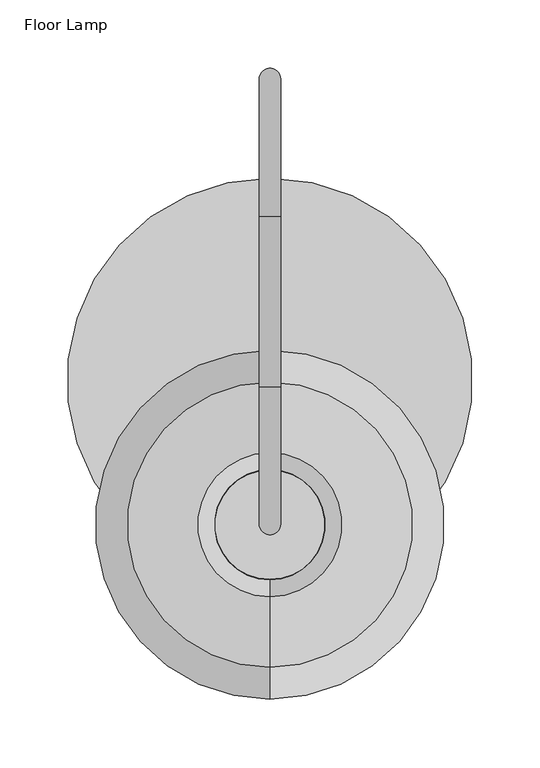
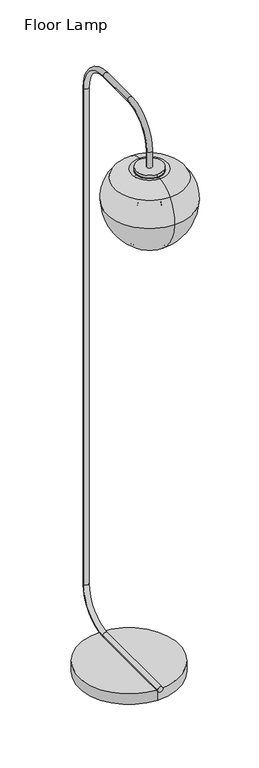
"""IFC4 building model written with IfcOpenShell, lengths in millimetres: furniture geometry, Floor Lamp."""

from ifc_helpers import new_model, si_unit, point, frame, frame_2d, origin, origin_with_axes, place, context, project, spatial, polyline, circle_curve, ellipse_curve, trimmed, segment, composite_curve, outline, extrude, source, transform, mapped, element, save
from ifc_brep_helpers import plane_surface, cylinder_surface, revolved_surface, advanced_brep


def floor_lamp_c4a0048e(model_context):
    return source(origin(), model_context, "Body", "SolidModel", [
        advanced_brep(
        [(0.0, -48.5884787, 1602.1445877), (0.0, -114.6854743, 1602.1445877), (0.0, -98.7501529, 1600.0987823), (0.0, -64.5238, 1600.0987823), (0.0, -44.0190852, 1627.0777935), (0.0, -119.2548678, 1627.0777935), (0.0, -41.3012271, 1631.262928), (0.0, -121.9727259, 1631.262928), (0.0, -29.0959725, 1634.6332907), (0.0, -134.1779805, 1634.6332907), (0.0, 22.4037494, 1608.3928717), (0.0, -185.6777023, 1608.3928717), (0.0, 45.8009911, 1537.0139585), (0.0, -209.0749441, 1537.0139585), (0.0, -15.2995308, 1425.839222), (0.0, -147.9744222, 1425.839222), (0.0, -27.3325095, 1421.4595759), (0.0, -135.9414435, 1421.4595759), (0.0, -33.4662045, 1418.2474979), (0.0, -129.8077485, 1418.2474979), (0.0, -47.5750907, 1418.2474979), (0.0, -115.6988622, 1418.2474979), (0.0, -37.5836001, 1425.1449831), (0.0, -125.6903529, 1425.1449831), (0.0, 16.0395109, 1470.1401157), (0.0, -179.3134639, 1470.1401157), (0.0, 5.1233842, 1583.4419515), (0.0, -168.3973372, 1583.4419515), (0.0, -5.9969435, 1589.7433464), (0.0, -157.2770095, 1589.7433464), (0.0, -64.5238, 1594.165521), (0.0, -98.7501529, 1594.165521), (0.0, -70.8262406, 1594.165521), (0.0, -92.4477123, 1594.165521), (0.0, -70.8262406, 1596.2635513), (0.0, -92.4477123, 1596.2635513), (0.0, -64.5238, 1596.2635513), (0.0, -98.7501529, 1596.2635513)],
        [
            (0, 1, circle_curve(frame((0.0, -81.6369765, 1602.1445877), z_axis=(0.0, 0.0, 1.0), x_axis=(0.0, -1.0, 0.0)), 33.0484978)),
            (1, 2),
            (2, 3, circle_curve(frame((0.0, -81.6369765, 1600.0987823), z_axis=(0.0, 0.0, -1.0), x_axis=(0.0, -1.0, 0.0)), 17.1131764)),
            (3, 0),
            (1, 0, circle_curve(frame((0.0, -81.6369765, 1602.1445877), z_axis=(0.0, 0.0, 1.0), x_axis=(0.0, -1.0, 0.0)), 33.0484978)),
            (3, 2, circle_curve(frame((0.0, -81.6369765, 1600.0987823), z_axis=(0.0, 0.0, -1.0), x_axis=(0.0, -1.0, 0.0)), 17.1131764)),
            (4, 5, circle_curve(frame((0.0, -81.6369765, 1627.0777935), z_axis=(0.0, 0.0, 1.0), x_axis=(0.0, -1.0, 0.0)), 37.6178913)),
            (5, 1),
            (0, 4),
            (5, 4, circle_curve(frame((0.0, -81.6369765, 1627.0777935), z_axis=(0.0, 0.0, 1.0), x_axis=(0.0, -1.0, 0.0)), 37.6178913)),
            (6, 7, circle_curve(frame((0.0, -81.6369765, 1631.262928), z_axis=(0.0, 0.0, 1.0), x_axis=(0.0, -1.0, 0.0)), 40.3357494)),
            (7, 5, circle_curve(frame((0.0, -125.6371821, 1625.9081362), z_axis=(-1.0, 0.0, 0.0), x_axis=(0.0, 1.0, 0.0)), 6.488608)),
            (4, 6, circle_curve(frame((0.0, -37.6367709, 1625.9081362), z_axis=(-1.0, 0.0, 0.0), x_axis=(0.0, -1.0, 0.0)), 6.488608)),
            (7, 6, circle_curve(frame((0.0, -81.6369765, 1631.262928), z_axis=(0.0, 0.0, 1.0), x_axis=(0.0, -1.0, 0.0)), 40.3357494)),
            (8, 9, circle_curve(frame((0.0, -81.6369765, 1634.6332907), z_axis=(0.0, 0.0, 1.0), x_axis=(0.0, -1.0, 0.0)), 52.541004)),
            (9, 7, circle_curve(frame((0.0, -132.9839101, 1615.1725191), z_axis=(-1.0, 0.0, 0.0), x_axis=(0.0, 1.0, 0.0)), 19.49737)),
            (6, 8, circle_curve(frame((0.0, -30.2900429, 1615.1725191), z_axis=(-1.0, 0.0, 0.0), x_axis=(0.0, -1.0, 0.0)), 19.49737)),
            (9, 8, circle_curve(frame((0.0, -81.6369765, 1634.6332907), z_axis=(0.0, 0.0, 1.0), x_axis=(0.0, -1.0, 0.0)), 52.541004)),
            (10, 11, circle_curve(frame((0.0, -81.6369765, 1608.3928717), z_axis=(0.0, 0.0, 1.0), x_axis=(0.0, -1.0, 0.0)), 104.0407259)),
            (11, 9, circle_curve(frame((0.0, -129.7373718, 1562.2609483), z_axis=(-1.0, 0.0, 0.0), x_axis=(0.0, 1.0, 0.0)), 72.5084474)),
            (8, 10, circle_curve(frame((0.0, -33.5365812, 1562.2609483), z_axis=(-1.0, 0.0, 0.0), x_axis=(0.0, -1.0, 0.0)), 72.5084474)),
            (11, 10, circle_curve(frame((0.0, -81.6369765, 1608.3928717), z_axis=(0.0, 0.0, 1.0), x_axis=(0.0, -1.0, 0.0)), 104.0407259)),
            (12, 13, circle_curve(frame((0.0, -81.6369765, 1537.0139585), z_axis=(0.0, 0.0, 1.0), x_axis=(0.0, -1.0, 0.0)), 127.4379676)),
            (13, 11, circle_curve(frame((0.0, -106.1320697, 1542.794528), z_axis=(-1.0, 0.0, 0.0), x_axis=(0.0, 1.0, 0.0)), 103.1050453)),
            (10, 12, circle_curve(frame((0.0, -57.1418833, 1542.794528), z_axis=(-1.0, 0.0, 0.0), x_axis=(0.0, -1.0, 0.0)), 103.1050453)),
            (13, 12, circle_curve(frame((0.0, -81.6369765, 1537.0139585), z_axis=(0.0, 0.0, 1.0), x_axis=(0.0, -1.0, 0.0)), 127.4379676)),
            (14, 15, circle_curve(frame((0.0, -81.6369765, 1425.839222), z_axis=(0.0, 0.0, 1.0), x_axis=(0.0, -1.0, 0.0)), 66.3374457)),
            (15, 13, circle_curve(frame((0.0, -62.3945903, 1545.2505264), z_axis=(-1.0, 0.0, 0.0), x_axis=(0.0, 1.0, 0.0)), 146.9114266)),
            (12, 14, circle_curve(frame((0.0, -100.8793627, 1545.2505264), z_axis=(-1.0, 0.0, 0.0), x_axis=(0.0, -1.0, 0.0)), 146.9114266)),
            (15, 14, circle_curve(frame((0.0, -81.6369765, 1425.839222), z_axis=(0.0, 0.0, 1.0), x_axis=(0.0, -1.0, 0.0)), 66.3374457)),
            (16, 17, circle_curve(frame((0.0, -81.6369765, 1421.4595759), z_axis=(0.0, 0.0, 1.0), x_axis=(0.0, -1.0, 0.0)), 54.304467)),
            (17, 15, circle_curve(frame((0.0, -134.1298801, 1445.1567971), z_axis=(-1.0, 0.0, 0.0), x_axis=(0.0, 1.0, 0.0)), 23.7663639)),
            (14, 16, circle_curve(frame((0.0, -29.1440729, 1445.1567971), z_axis=(-1.0, 0.0, 0.0), x_axis=(0.0, -1.0, 0.0)), 23.7663639)),
            (17, 16, circle_curve(frame((0.0, -81.6369765, 1421.4595759), z_axis=(0.0, 0.0, 1.0), x_axis=(0.0, -1.0, 0.0)), 54.304467)),
            (18, 19, circle_curve(frame((0.0, -81.6369765, 1418.2474979), z_axis=(0.0, 0.0, 1.0), x_axis=(0.0, -1.0, 0.0)), 48.170772)),
            (19, 17, circle_curve(frame((0.0, -136.6094285, 1412.7216045), z_axis=(1.0, 0.0, 0.0), x_axis=(0.0, 1.0, 0.0)), 8.7634667)),
            (16, 18, circle_curve(frame((0.0, -26.6645245, 1412.7216045), z_axis=(1.0, 0.0, 0.0), x_axis=(0.0, -1.0, 0.0)), 8.7634667)),
            (19, 18, circle_curve(frame((0.0, -81.6369765, 1418.2474979), z_axis=(0.0, 0.0, 1.0), x_axis=(0.0, -1.0, 0.0)), 48.170772)),
            (20, 21, circle_curve(frame((0.0, -81.6369765, 1418.2474979), z_axis=(0.0, 0.0, 1.0), x_axis=(0.0, -1.0, 0.0)), 34.0618857)),
            (21, 19),
            (18, 20),
            (21, 20, circle_curve(frame((0.0, -81.6369765, 1418.2474979), z_axis=(0.0, 0.0, 1.0), x_axis=(0.0, -1.0, 0.0)), 34.0618857)),
            (22, 23, circle_curve(frame((0.0, -81.6369765, 1425.1449831), z_axis=(0.0, 0.0, 1.0), x_axis=(0.0, -1.0, 0.0)), 44.0533764)),
            (23, 21, circle_curve(frame((0.0, -129.9775284, 1408.2492791), z_axis=(-1.0, 0.0, 0.0), x_axis=(0.0, 1.0, 0.0)), 17.4311412)),
            (20, 22, circle_curve(frame((0.0, -33.2964246, 1408.2492791), z_axis=(-1.0, 0.0, 0.0), x_axis=(0.0, -1.0, 0.0)), 17.4311412)),
            (23, 22, circle_curve(frame((0.0, -81.6369765, 1425.1449831), z_axis=(0.0, 0.0, 1.0), x_axis=(0.0, -1.0, 0.0)), 44.0533764)),
            (24, 25, circle_curve(frame((0.0, -81.6369765, 1470.1401157), z_axis=(0.0, 0.0, 1.0), x_axis=(0.0, -1.0, 0.0)), 97.6764874)),
            (25, 23, circle_curve(frame((0.0, -105.8847121, 1503.1987606), z_axis=(1.0, 0.0, 0.0), x_axis=(0.0, 1.0, 0.0)), 80.5273593)),
            (22, 24, circle_curve(frame((0.0, -57.3892409, 1503.1987606), z_axis=(1.0, 0.0, 0.0), x_axis=(0.0, -1.0, 0.0)), 80.5273593)),
            (25, 24, circle_curve(frame((0.0, -81.6369765, 1470.1401157), z_axis=(0.0, 0.0, 1.0), x_axis=(0.0, -1.0, 0.0)), 97.6764874)),
            (26, 27, circle_curve(frame((0.0, -81.6369765, 1583.4419515), z_axis=(0.0, 0.0, 1.0), x_axis=(0.0, -1.0, 0.0)), 86.7603607)),
            (27, 25, circle_curve(frame((0.0, -74.7012781, 1517.2379761), z_axis=(1.0, 0.0, 0.0), x_axis=(0.0, 1.0, 0.0)), 114.725402)),
            (24, 26, circle_curve(frame((0.0, -88.5726749, 1517.2379761), z_axis=(1.0, 0.0, 0.0), x_axis=(0.0, -1.0, 0.0)), 114.725402)),
            (27, 26, circle_curve(frame((0.0, -81.6369765, 1583.4419515), z_axis=(0.0, 0.0, 1.0), x_axis=(0.0, -1.0, 0.0)), 86.7603607)),
            (28, 29, circle_curve(frame((0.0, -81.6369765, 1589.7433464), z_axis=(0.0, 0.0, 1.0), x_axis=(0.0, -1.0, 0.0)), 75.640033)),
            (29, 27, circle_curve(frame((0.0, -156.1468603, 1574.7859816), z_axis=(1.0, 0.0, 0.0), x_axis=(0.0, 1.0, 0.0)), 15.0)),
            (26, 28, circle_curve(frame((0.0, -7.1270927, 1574.7859816), z_axis=(1.0, 0.0, 0.0), x_axis=(0.0, -1.0, 0.0)), 15.0)),
            (29, 28, circle_curve(frame((0.0, -81.6369765, 1589.7433464), z_axis=(0.0, 0.0, 1.0), x_axis=(0.0, -1.0, 0.0)), 75.640033)),
            (30, 31, circle_curve(frame((0.0, -81.6369765, 1594.165521), z_axis=(0.0, 0.0, 1.0), x_axis=(0.0, -1.0, 0.0)), 17.1131764)),
            (31, 29),
            (28, 30),
            (31, 30, circle_curve(frame((0.0, -81.6369765, 1594.165521), z_axis=(0.0, 0.0, 1.0), x_axis=(0.0, -1.0, 0.0)), 17.1131764)),
            (32, 33, circle_curve(frame((0.0, -81.6369765, 1594.165521), z_axis=(0.0, 0.0, 1.0), x_axis=(0.0, -1.0, 0.0)), 10.8107358)),
            (33, 31),
            (30, 32),
            (33, 32, circle_curve(frame((0.0, -81.6369765, 1594.165521), z_axis=(0.0, 0.0, 1.0), x_axis=(0.0, -1.0, 0.0)), 10.8107358)),
            (34, 35, circle_curve(frame((0.0, -81.6369765, 1596.2635513), z_axis=(0.0, 0.0, 1.0), x_axis=(0.0, -1.0, 0.0)), 10.8107358)),
            (35, 33),
            (32, 34),
            (35, 34, circle_curve(frame((0.0, -81.6369765, 1596.2635513), z_axis=(0.0, 0.0, 1.0), x_axis=(0.0, -1.0, 0.0)), 10.8107358)),
            (36, 37, circle_curve(frame((0.0, -81.6369765, 1596.2635513), z_axis=(0.0, 0.0, 1.0), x_axis=(0.0, -1.0, 0.0)), 17.1131764)),
            (37, 35),
            (34, 36),
            (37, 36, circle_curve(frame((0.0, -81.6369765, 1596.2635513), z_axis=(0.0, 0.0, 1.0), x_axis=(0.0, -1.0, 0.0)), 17.1131764)),
            (2, 37),
            (36, 3),
        ],
        [
            revolved_surface(polyline([(0.0, -98.7501529, 1600.0987823), (0.0, -114.6854743, 1602.1445877)]), (0.0, -81.6369765, 1653.4020555), (0.0, 0.0, -1.0)),
            revolved_surface(polyline([(0.0, -114.6854743, 1602.1445877), (0.0, -119.2548678, 1627.0777935)]), (0.0, -81.6369765, 1653.4020555), (0.0, 0.0, -1.0)),
            revolved_surface(trimmed(ellipse_curve(frame((0.0, -125.6371821, 1625.9081362), z_axis=(1.0, 0.0, 0.0), x_axis=(0.0, 1.0, 0.0)), 6.488608, 6.488608), [point((0.0, -119.2548678, 1627.0777935))], [point((0.0, -121.9727259, 1631.262928))], True, "CARTESIAN"), (0.0, -81.6369765, 1653.4020555), (0.0, 0.0, -1.0)),
            revolved_surface(trimmed(ellipse_curve(frame((0.0, -132.9839101, 1615.1725191), z_axis=(1.0, 0.0, 0.0), x_axis=(0.0, 1.0, 0.0)), 19.49737, 19.49737), [point((0.0, -121.9727259, 1631.262928))], [point((0.0, -134.1779805, 1634.6332907))], True, "CARTESIAN"), (0.0, -81.6369765, 1653.4020555), (0.0, 0.0, -1.0)),
            revolved_surface(trimmed(ellipse_curve(frame((0.0, -129.7373718, 1562.2609483), z_axis=(1.0, 0.0, 0.0), x_axis=(0.0, 1.0, 0.0)), 72.5084474, 72.5084474), [point((0.0, -134.1779805, 1634.6332907))], [point((0.0, -185.6777023, 1608.3928717))], True, "CARTESIAN"), (0.0, -81.6369765, 1653.4020555), (0.0, 0.0, -1.0)),
            revolved_surface(trimmed(ellipse_curve(frame((0.0, -106.1320697, 1542.794528), z_axis=(1.0, 0.0, 0.0), x_axis=(0.0, 1.0, 0.0)), 103.1050453, 103.1050453), [point((0.0, -185.6777023, 1608.3928717))], [point((0.0, -209.0749441, 1537.0139585))], True, "CARTESIAN"), (0.0, -81.6369765, 1653.4020555), (0.0, 0.0, -1.0)),
            revolved_surface(trimmed(ellipse_curve(frame((0.0, -62.3945903, 1545.2505264), z_axis=(1.0, 0.0, 0.0), x_axis=(0.0, 1.0, 0.0)), 146.9114266, 146.9114266), [point((0.0, -209.0749441, 1537.0139585))], [point((0.0, -147.9744222, 1425.839222))], True, "CARTESIAN"), (0.0, -81.6369765, 1653.4020555), (0.0, 0.0, -1.0)),
            revolved_surface(trimmed(ellipse_curve(frame((0.0, -134.1298801, 1445.1567971), z_axis=(1.0, 0.0, 0.0), x_axis=(0.0, 1.0, 0.0)), 23.7663639, 23.7663639), [point((0.0, -147.9744222, 1425.839222))], [point((0.0, -135.9414435, 1421.4595759))], True, "CARTESIAN"), (0.0, -81.6369765, 1653.4020555), (0.0, 0.0, -1.0)),
            revolved_surface(trimmed(ellipse_curve(frame((0.0, -136.6094285, 1412.7216045), z_axis=(-1.0, 0.0, 0.0), x_axis=(0.0, 1.0, 0.0)), 8.7634667, 8.7634667), [point((0.0, -135.9414435, 1421.4595759))], [point((0.0, -129.8077485, 1418.2474979))], True, "CARTESIAN"), (0.0, -81.6369765, 1653.4020555), (0.0, 0.0, -1.0)),
            plane_surface(frame((0.0, -81.6369765, 1418.2474979), z_axis=(0.0, 0.0, -1.0), x_axis=(0.0, -1.0, 0.0))),
            revolved_surface(trimmed(ellipse_curve(frame((0.0, -129.9775284, 1408.2492791), z_axis=(1.0, 0.0, 0.0), x_axis=(0.0, 1.0, 0.0)), 17.4311412, 17.4311412), [point((0.0, -115.6988622, 1418.2474979))], [point((0.0, -125.6903529, 1425.1449831))], True, "CARTESIAN"), (0.0, -81.6369765, 1653.4020555), (0.0, 0.0, -1.0)),
            revolved_surface(trimmed(ellipse_curve(frame((0.0, -105.8847121, 1503.1987606), z_axis=(-1.0, 0.0, 0.0), x_axis=(0.0, 1.0, 0.0)), 80.5273593, 80.5273593), [point((0.0, -125.6903529, 1425.1449831))], [point((0.0, -179.3134639, 1470.1401157))], True, "CARTESIAN"), (0.0, -81.6369765, 1653.4020555), (0.0, 0.0, -1.0)),
            revolved_surface(trimmed(ellipse_curve(frame((0.0, -74.7012781, 1517.2379761), z_axis=(-1.0, 0.0, 0.0), x_axis=(0.0, 1.0, 0.0)), 114.725402, 114.725402), [point((0.0, -179.3134639, 1470.1401157))], [point((0.0, -168.3973372, 1583.4419515))], True, "CARTESIAN"), (0.0, -81.6369765, 1653.4020555), (0.0, 0.0, -1.0)),
            revolved_surface(trimmed(ellipse_curve(frame((0.0, -156.1468603, 1574.7859816), z_axis=(-1.0, 0.0, 0.0), x_axis=(0.0, 1.0, 0.0)), 15.0, 15.0), [point((0.0, -168.3973372, 1583.4419515))], [point((0.0, -157.2770095, 1589.7433464))], True, "CARTESIAN"), (0.0, -81.6369765, 1653.4020555), (0.0, 0.0, -1.0)),
            revolved_surface(polyline([(0.0, -157.2770095, 1589.7433464), (0.0, -98.7501529, 1594.165521)]), (0.0, -81.6369765, 1653.4020555), (0.0, 0.0, -1.0)),
            plane_surface(frame((0.0, -81.6369765, 1594.165521), z_axis=(0.0, 0.0, -1.0), x_axis=(0.0, -1.0, 0.0))),
            revolved_surface(polyline([(0.0, -92.4477123, 1594.165521), (0.0, -92.4477123, 1596.2635513)]), (0.0, -81.6369765, 1653.4020555), (0.0, 0.0, -1.0)),
            plane_surface(frame((0.0, -81.6369765, 1596.2635513), z_axis=(0.0, 0.0, 1.0), x_axis=(0.0, -1.0, 0.0))),
            revolved_surface(polyline([(0.0, -98.7501529, 1596.2635513), (0.0, -98.7501529, 1600.0987823)]), (0.0, -81.6369765, 1653.4020555), (0.0, 0.0, -1.0)),
        ],
        [
            (0, [[1, 2, 3, 4]]),
            (0, [[5, -4, 6, -2]]),
            (1, [[7, 8, -1, 9]]),
            (1, [[10, -9, -5, -8]]),
            (2, [[11, 12, -7, 13]]),
            (2, [[14, -13, -10, -12]]),
            (3, [[15, 16, -11, 17]]),
            (3, [[18, -17, -14, -16]]),
            (4, [[19, 20, -15, 21]]),
            (4, [[22, -21, -18, -20]]),
            (5, [[23, 24, -19, 25]]),
            (5, [[26, -25, -22, -24]]),
            (6, [[27, 28, -23, 29]]),
            (6, [[30, -29, -26, -28]]),
            (7, [[31, 32, -27, 33]]),
            (7, [[34, -33, -30, -32]]),
            (8, [[35, 36, -31, 37]]),
            (8, [[38, -37, -34, -36]]),
            (9, [[39, 40, -35, 41]]),
            (9, [[42, -41, -38, -40]]),
            (10, [[43, 44, -39, 45]]),
            (10, [[46, -45, -42, -44]]),
            (11, [[47, 48, -43, 49]]),
            (11, [[50, -49, -46, -48]]),
            (12, [[51, 52, -47, 53]]),
            (12, [[54, -53, -50, -52]]),
            (13, [[55, 56, -51, 57]]),
            (13, [[58, -57, -54, -56]]),
            (14, [[59, 60, -55, 61]]),
            (14, [[62, -61, -58, -60]]),
            (15, [[63, 64, -59, 65]]),
            (15, [[66, -65, -62, -64]]),
            (16, [[67, 68, -63, 69]]),
            (16, [[70, -69, -66, -68]]),
            (17, [[71, 72, -67, 73]]),
            (17, [[74, -73, -70, -72]]),
            (18, [[-3, 75, -71, 76]]),
            (18, [[-6, -76, -74, -75]]),
        ],
    ),
        advanced_brep(
        [(-7.85, -136.2065835, 40.7831722), (7.85, -136.2065835, 40.7831722), (-7.85, 143.8687636, 40.7831722), (7.85, 143.8687636, 40.7831722), (-7.85, -81.0218342, 1641.112183), (7.85, -81.0218342, 1641.112183), (7.85, 243.8687636, 140.7831722), (-7.85, 243.8687636, 140.7831722), (-7.85, 243.8687636, 1690.8693211), (7.85, 243.8687636, 1690.8693211), (7.85, 143.8687636, 1790.8693211), (-7.85, 143.8687636, 1790.8693211), (-7.85, 18.9781658, 1790.8693211), (7.85, 18.9781658, 1790.8693211), (7.85, -81.0218342, 1690.8693211), (-7.85, -81.0218342, 1690.8693211)],
        [
            (0, 1, circle_curve(frame((0.0, -136.2065835, 40.7831722), z_axis=(0.0, -1.0, 0.0), x_axis=(1.0, 0.0, 0.0)), 7.85)),
            (1, 0, circle_curve(frame((0.0, -136.2065835, 40.7831722), z_axis=(0.0, -1.0, 0.0), x_axis=(1.0, 0.0, 0.0)), 7.85)),
            (0, 2),
            (2, 3, circle_curve(frame((0.0, 143.8687636, 40.7831722), z_axis=(0.0, -1.0, 0.0), x_axis=(1.0, 0.0, 0.0)), 7.85)),
            (3, 1),
            (3, 2, circle_curve(frame((0.0, 143.8687636, 40.7831722), z_axis=(0.0, -1.0, 0.0), x_axis=(1.0, 0.0, 0.0)), 7.85)),
            (4, 5, circle_curve(frame((0.0, -81.0218342, 1641.112183), z_axis=(0.0, 0.0, -1.0), x_axis=(1.0, 0.0, 0.0)), 7.85)),
            (5, 4, circle_curve(frame((0.0, -81.0218342, 1641.112183), z_axis=(0.0, 0.0, -1.0), x_axis=(1.0, 0.0, 0.0)), 7.85)),
            (6, 3, circle_curve(frame((7.85, 143.8687636, 140.7831722), z_axis=(-1.0, 0.0, 0.0), x_axis=(0.0, 0.0, -1.0)), 100.0)),
            (2, 7, circle_curve(frame((-7.85, 143.8687636, 140.7831722), z_axis=(1.0, 0.0, 0.0), x_axis=(0.0, 0.0, -1.0)), 100.0)),
            (7, 6, circle_curve(frame((0.0, 243.8687636, 140.7831722), z_axis=(0.0, 0.0, -1.0), x_axis=(1.0, 0.0, 0.0)), 7.85)),
            (6, 7, circle_curve(frame((0.0, 243.8687636, 140.7831722), z_axis=(0.0, 0.0, -1.0), x_axis=(1.0, 0.0, 0.0)), 7.85)),
            (7, 8),
            (8, 9, circle_curve(frame((0.0, 243.8687636, 1690.8693211), z_axis=(0.0, 0.0, -1.0), x_axis=(1.0, 0.0, 0.0)), 7.85)),
            (9, 6),
            (9, 8, circle_curve(frame((0.0, 243.8687636, 1690.8693211), z_axis=(0.0, 0.0, -1.0), x_axis=(1.0, 0.0, 0.0)), 7.85)),
            (10, 9, circle_curve(frame((7.85, 143.8687636, 1690.8693211), z_axis=(-1.0, 0.0, 0.0), x_axis=(0.0, 1.0, 0.0)), 100.0)),
            (8, 11, circle_curve(frame((-7.85, 143.8687636, 1690.8693211), z_axis=(1.0, 0.0, 0.0), x_axis=(0.0, 1.0, 0.0)), 100.0)),
            (11, 10, circle_curve(frame((0.0, 143.8687636, 1790.8693211), z_axis=(0.0, 1.0, 0.0), x_axis=(1.0, 0.0, 0.0)), 7.85)),
            (10, 11, circle_curve(frame((0.0, 143.8687636, 1790.8693211), z_axis=(0.0, 1.0, 0.0), x_axis=(1.0, 0.0, 0.0)), 7.85)),
            (11, 12),
            (12, 13, circle_curve(frame((0.0, 18.9781658, 1790.8693211), z_axis=(0.0, 1.0, 0.0), x_axis=(1.0, 0.0, 0.0)), 7.85)),
            (13, 10),
            (13, 12, circle_curve(frame((0.0, 18.9781658, 1790.8693211), z_axis=(0.0, 1.0, 0.0), x_axis=(1.0, 0.0, 0.0)), 7.85)),
            (14, 13, circle_curve(frame((7.85, 18.9781658, 1690.8693211), z_axis=(-1.0, 0.0, 0.0), x_axis=(0.0, 0.0, 1.0)), 100.0)),
            (12, 15, circle_curve(frame((-7.85, 18.9781658, 1690.8693211), z_axis=(1.0, 0.0, 0.0), x_axis=(0.0, 0.0, 1.0)), 100.0)),
            (15, 14, circle_curve(frame((0.0, -81.0218342, 1690.8693211), z_axis=(0.0, 0.0, 1.0), x_axis=(1.0, 0.0, 0.0)), 7.85)),
            (14, 15, circle_curve(frame((0.0, -81.0218342, 1690.8693211), z_axis=(0.0, 0.0, 1.0), x_axis=(1.0, 0.0, 0.0)), 7.85)),
            (15, 4),
            (5, 14),
        ],
        [
            plane_surface(frame((0.0, -136.2065835, 40.7831722), z_axis=(0.0, -1.0, 0.0), x_axis=(1.0, 0.0, 0.0))),
            cylinder_surface(frame((0.0, -136.2065835, 40.7831722), z_axis=(0.0, -1.0, 0.0), x_axis=(1.0, 0.0, 0.0)), 7.85),
            plane_surface(frame((0.0, -81.0218342, 1641.112183), z_axis=(0.0, 0.0, -1.0), x_axis=(1.0, 0.0, 0.0))),
            revolved_surface(trimmed(ellipse_curve(frame((0.0, 143.8687636, 40.7831722), z_axis=(0.0, -1.0, 0.0), x_axis=(1.0, 0.0, 0.0)), 7.85, 7.85), [point((-7.85, 143.8687636, 40.7831722))], [point((7.85, 143.8687636, 40.7831722))], True, "CARTESIAN"), (0.0, 143.8687636, 140.7831722), (1.0, 0.0, 0.0)),
            revolved_surface(trimmed(ellipse_curve(frame((0.0, 143.8687636, 40.7831722), z_axis=(0.0, -1.0, 0.0), x_axis=(1.0, 0.0, 0.0)), 7.85, 7.85), [point((7.85, 143.8687636, 40.7831722))], [point((-7.85, 143.8687636, 40.7831722))], True, "CARTESIAN"), (0.0, 143.8687636, 140.7831722), (1.0, 0.0, 0.0)),
            cylinder_surface(frame((0.0, 243.8687636, 140.7831722), z_axis=(0.0, 0.0, -1.0), x_axis=(1.0, 0.0, 0.0)), 7.85),
            revolved_surface(trimmed(ellipse_curve(frame((0.0, 243.8687636, 1690.8693211), z_axis=(0.0, 0.0, -1.0), x_axis=(1.0, 0.0, 0.0)), 7.85, 7.85), [point((-7.85, 243.8687636, 1690.8693211))], [point((7.85, 243.8687636, 1690.8693211))], True, "CARTESIAN"), (0.0, 143.8687636, 1690.8693211), (1.0, 0.0, 0.0)),
            revolved_surface(trimmed(ellipse_curve(frame((0.0, 243.8687636, 1690.8693211), z_axis=(0.0, 0.0, -1.0), x_axis=(1.0, 0.0, 0.0)), 7.85, 7.85), [point((7.85, 243.8687636, 1690.8693211))], [point((-7.85, 243.8687636, 1690.8693211))], True, "CARTESIAN"), (0.0, 143.8687636, 1690.8693211), (1.0, 0.0, 0.0)),
            cylinder_surface(frame((0.0, 143.8687636, 1790.8693211), z_axis=(0.0, 1.0, 0.0), x_axis=(1.0, 0.0, 0.0)), 7.85),
            revolved_surface(trimmed(ellipse_curve(frame((0.0, 18.9781658, 1790.8693211), z_axis=(0.0, 1.0, 0.0), x_axis=(1.0, 0.0, 0.0)), 7.85, 7.85), [point((-7.85, 18.9781658, 1790.8693211))], [point((7.85, 18.9781658, 1790.8693211))], True, "CARTESIAN"), (0.0, 18.9781658, 1690.8693211), (1.0, 0.0, 0.0)),
            revolved_surface(trimmed(ellipse_curve(frame((0.0, 18.9781658, 1790.8693211), z_axis=(0.0, 1.0, 0.0), x_axis=(1.0, 0.0, 0.0)), 7.85, 7.85), [point((7.85, 18.9781658, 1790.8693211))], [point((-7.85, 18.9781658, 1790.8693211))], True, "CARTESIAN"), (0.0, 18.9781658, 1690.8693211), (1.0, 0.0, 0.0)),
            cylinder_surface(frame((0.0, -81.0218342, 1690.8693211), z_axis=(0.0, 0.0, 1.0), x_axis=(1.0, 0.0, 0.0)), 7.85),
        ],
        [
            (0, [[1, 2]]),
            (1, [[-1, 3, 4, 5]]),
            (1, [[-2, -5, 6, -3]]),
            (2, [[7, 8]]),
            (3, [[9, -4, 10, 11]]),
            (4, [[-10, -6, -9, 12]]),
            (5, [[-11, 13, 14, 15]]),
            (5, [[-12, -15, 16, -13]]),
            (6, [[17, -14, 18, 19]]),
            (7, [[-18, -16, -17, 20]]),
            (8, [[-19, 21, 22, 23]]),
            (8, [[-20, -23, 24, -21]]),
            (9, [[25, -22, 26, 27]]),
            (10, [[-26, -24, -25, 28]]),
            (11, [[-27, 29, -8, 30]]),
            (11, [[-28, -30, -7, -29]]),
        ],
    ),
        extrude(outline(composite_curve([segment(trimmed(circle_curve(frame_2d((0.0, 23.885558)), 148.0), [point((0.0, -124.114442))], [point((0.0, 171.885558))], False, "CARTESIAN"), True, "CONTINUOUS"), segment(trimmed(circle_curve(frame_2d((0.0, 23.885558)), 148.0), [point((0.0, 171.885558))], [point((0.0, -124.114442))], False, "CARTESIAN"), True, "CONTINUOUS")], self_intersect=False)), origin_with_axes(), (0.0, 0.0, 1.0), 32.8405173),
        advanced_brep(
        [(0.0, -63.5900064, 1574.7296059), (0.0, -99.6839466, 1574.7296059), (0.0, -95.8059013, 1577.7494198), (0.0, -67.4680517, 1577.7494198), (0.0, -51.6745578, 1527.5868748), (0.0, -111.5993952, 1527.5868748), (0.0, -53.2329474, 1494.4198586), (0.0, -110.0410056, 1494.4198586), (0.0, -81.6369765, 1474.3699651), (0.0, -81.6369765, 1577.7494198)],
        [
            (0, 1, circle_curve(frame((0.0, -81.6369765, 1574.7296059), z_axis=(0.0, 0.0, 1.0), x_axis=(0.0, -1.0, 0.0)), 18.0469701)),
            (1, 2, circle_curve(frame((0.0, -95.8059013, 1573.7494198), z_axis=(-1.0, 0.0, 0.0), x_axis=(0.0, 1.0, 0.0)), 4.0)),
            (2, 3, circle_curve(frame((0.0, -81.6369765, 1577.7494198), z_axis=(0.0, 0.0, -1.0), x_axis=(0.0, -1.0, 0.0)), 14.1689248)),
            (3, 0, circle_curve(frame((0.0, -67.4680517, 1573.7494198), z_axis=(-1.0, 0.0, 0.0), x_axis=(0.0, -1.0, 0.0)), 4.0)),
            (1, 0, circle_curve(frame((0.0, -81.6369765, 1574.7296059), z_axis=(0.0, 0.0, 1.0), x_axis=(0.0, -1.0, 0.0)), 18.0469701)),
            (3, 2, circle_curve(frame((0.0, -81.6369765, 1577.7494198), z_axis=(0.0, 0.0, -1.0), x_axis=(0.0, -1.0, 0.0)), 14.1689248)),
            (4, 5, circle_curve(frame((0.0, -81.6369765, 1527.5868748), z_axis=(0.0, 0.0, 1.0), x_axis=(0.0, -1.0, 0.0)), 29.9624187)),
            (5, 1),
            (0, 4),
            (5, 4, circle_curve(frame((0.0, -81.6369765, 1527.5868748), z_axis=(0.0, 0.0, 1.0), x_axis=(0.0, -1.0, 0.0)), 29.9624187)),
            (6, 7, circle_curve(frame((0.0, -81.6369765, 1494.4198586), z_axis=(0.0, 0.0, 1.0), x_axis=(0.0, -1.0, 0.0)), 28.4040291)),
            (7, 5, circle_curve(frame((0.0, -56.1507092, 1513.5720743), z_axis=(-1.0, 0.0, 0.0), x_axis=(0.0, 1.0, 0.0)), 57.1924069)),
            (4, 6, circle_curve(frame((0.0, -107.1232438, 1513.5720743), z_axis=(-1.0, 0.0, 0.0), x_axis=(0.0, -1.0, 0.0)), 57.1924069)),
            (7, 6, circle_curve(frame((0.0, -81.6369765, 1494.4198586), z_axis=(0.0, 0.0, 1.0), x_axis=(0.0, -1.0, 0.0)), 28.4040291)),
            (8, 7, circle_curve(frame((0.0, -81.6369765, 1504.514442), z_axis=(-1.0, 0.0, 0.0), x_axis=(0.0, 1.0, 0.0)), 30.1444768)),
            (6, 8, circle_curve(frame((0.0, -81.6369765, 1504.514442), z_axis=(-1.0, 0.0, 0.0), x_axis=(0.0, -1.0, 0.0)), 30.1444768)),
            (2, 9),
            (9, 3),
        ],
        [
            revolved_surface(trimmed(ellipse_curve(frame((0.0, -95.8059013, 1573.7494198), z_axis=(1.0, 0.0, 0.0), x_axis=(0.0, 1.0, 0.0)), 4.0, 4.0), [point((0.0, -95.8059013, 1577.7494198))], [point((0.0, -99.6839466, 1574.7296059))], True, "CARTESIAN"), (0.0, -81.6369765, 1782.7494198), (0.0, 0.0, -1.0)),
            revolved_surface(polyline([(0.0, -99.6839466, 1574.7296059), (0.0, -111.5993952, 1527.5868748)]), (0.0, -81.6369765, 1782.7494198), (0.0, 0.0, -1.0)),
            revolved_surface(trimmed(ellipse_curve(frame((0.0, -56.1507092, 1513.5720743), z_axis=(1.0, 0.0, 0.0), x_axis=(0.0, 1.0, 0.0)), 57.1924069, 57.1924069), [point((0.0, -111.5993952, 1527.5868748))], [point((0.0, -110.0410056, 1494.4198586))], True, "CARTESIAN"), (0.0, -81.6369765, 1782.7494198), (0.0, 0.0, -1.0)),
            revolved_surface(trimmed(ellipse_curve(frame((0.0, -81.6369765, 1504.514442), z_axis=(1.0, 0.0, 0.0), x_axis=(0.0, 1.0, 0.0)), 30.1444768, 30.1444768), [point((0.0, -110.0410056, 1494.4198586))], [point((0.0, -81.6369765, 1474.3699651))], True, "CARTESIAN"), (0.0, -81.6369765, 1782.7494198), (0.0, 0.0, -1.0)),
            plane_surface(frame((0.0, -81.6369765, 1577.7494198), z_axis=(0.0, 0.0, 1.0), x_axis=(0.0, -1.0, 0.0))),
        ],
        [
            (0, [[1, 2, 3, 4]]),
            (0, [[5, -4, 6, -2]]),
            (1, [[7, 8, -1, 9]]),
            (1, [[10, -9, -5, -8]]),
            (2, [[11, 12, -7, 13]]),
            (2, [[14, -13, -10, -12]]),
            (3, [[15, -11, 16]]),
            (3, [[-16, -14, -15]]),
            (4, [[-3, 17, 18]]),
            (4, [[-6, -18, -17]]),
        ],
    ),
        advanced_brep(
        [(0.0, -48.5884787, 1602.1445877), (0.0, -114.6854743, 1602.1445877), (0.0, -119.4359293, 1628.0485298), (0.0, -43.8380237, 1628.0485298), (0.0, -64.5238, 1600.0987823), (0.0, -98.7501529, 1600.0987823), (0.0, -64.5238, 1596.2635513), (0.0, -98.7501529, 1596.2635513), (0.0, -70.8262406, 1596.2635513), (0.0, -92.4477123, 1596.2635513), (0.0, -70.8262406, 1577.7494198), (0.0, -92.4477123, 1577.7494198), (0.0, -81.6369765, 1577.7494198), (0.0, -41.6369765, 1632.2967327), (0.0, -121.6369765, 1632.2967327), (0.0, -81.6369765, 1632.2967327), (0.0, -41.6369765, 1631.0683162), (0.0, -121.6369765, 1631.0683162)],
        [
            (0, 1, circle_curve(frame((0.0, -81.6369765, 1602.1445877), z_axis=(0.0, 0.0, 1.0), x_axis=(0.0, -1.0, 0.0)), 33.0484978)),
            (1, 2),
            (2, 3, circle_curve(frame((0.0, -81.6369765, 1628.0485298), z_axis=(0.0, 0.0, -1.0), x_axis=(0.0, -1.0, 0.0)), 37.7989528)),
            (3, 0),
            (1, 0, circle_curve(frame((0.0, -81.6369765, 1602.1445877), z_axis=(0.0, 0.0, 1.0), x_axis=(0.0, -1.0, 0.0)), 33.0484978)),
            (3, 2, circle_curve(frame((0.0, -81.6369765, 1628.0485298), z_axis=(0.0, 0.0, -1.0), x_axis=(0.0, -1.0, 0.0)), 37.7989528)),
            (4, 5, circle_curve(frame((0.0, -81.6369765, 1600.0987823), z_axis=(0.0, 0.0, 1.0), x_axis=(0.0, -1.0, 0.0)), 17.1131764)),
            (5, 1),
            (0, 4),
            (5, 4, circle_curve(frame((0.0, -81.6369765, 1600.0987823), z_axis=(0.0, 0.0, 1.0), x_axis=(0.0, -1.0, 0.0)), 17.1131764)),
            (6, 7, circle_curve(frame((0.0, -81.6369765, 1596.2635513), z_axis=(0.0, 0.0, 1.0), x_axis=(0.0, -1.0, 0.0)), 17.1131764)),
            (7, 5),
            (4, 6),
            (7, 6, circle_curve(frame((0.0, -81.6369765, 1596.2635513), z_axis=(0.0, 0.0, 1.0), x_axis=(0.0, -1.0, 0.0)), 17.1131764)),
            (8, 9, circle_curve(frame((0.0, -81.6369765, 1596.2635513), z_axis=(0.0, 0.0, 1.0), x_axis=(0.0, -1.0, 0.0)), 10.8107358)),
            (9, 7),
            (6, 8),
            (9, 8, circle_curve(frame((0.0, -81.6369765, 1596.2635513), z_axis=(0.0, 0.0, 1.0), x_axis=(0.0, -1.0, 0.0)), 10.8107358)),
            (10, 11, circle_curve(frame((0.0, -81.6369765, 1577.7494198), z_axis=(0.0, 0.0, 1.0), x_axis=(0.0, -1.0, 0.0)), 10.8107358)),
            (11, 9),
            (8, 10),
            (11, 10, circle_curve(frame((0.0, -81.6369765, 1577.7494198), z_axis=(0.0, 0.0, 1.0), x_axis=(0.0, -1.0, 0.0)), 10.8107358)),
            (12, 11),
            (10, 12),
            (13, 14, circle_curve(frame((0.0, -81.6369765, 1632.2967327), z_axis=(0.0, 0.0, 1.0), x_axis=(0.0, -1.0, 0.0)), 40.0)),
            (14, 15),
            (15, 13),
            (14, 13, circle_curve(frame((0.0, -81.6369765, 1632.2967327), z_axis=(0.0, 0.0, 1.0), x_axis=(0.0, -1.0, 0.0)), 40.0)),
            (16, 17, circle_curve(frame((0.0, -81.6369765, 1631.0683162), z_axis=(0.0, 0.0, 1.0), x_axis=(0.0, -1.0, 0.0)), 40.0)),
            (17, 14),
            (13, 16),
            (17, 16, circle_curve(frame((0.0, -81.6369765, 1631.0683162), z_axis=(0.0, 0.0, 1.0), x_axis=(0.0, -1.0, 0.0)), 40.0)),
            (2, 17, circle_curve(frame((0.0, -123.6744063, 1627.2712468), z_axis=(1.0, 0.0, 0.0), x_axis=(0.0, 1.0, 0.0)), 4.3091596)),
            (16, 3, circle_curve(frame((0.0, -39.5995467, 1627.2712468), z_axis=(1.0, 0.0, 0.0), x_axis=(0.0, -1.0, 0.0)), 4.3091596)),
        ],
        [
            revolved_surface(polyline([(0.0, -119.4359293, 1628.0485298), (0.0, -114.6854743, 1602.1445877)]), (0.0, -81.6369765, 1792.2967327), (0.0, 0.0, -1.0)),
            revolved_surface(polyline([(0.0, -114.6854743, 1602.1445877), (0.0, -98.7501529, 1600.0987823)]), (0.0, -81.6369765, 1792.2967327), (0.0, 0.0, -1.0)),
            cylinder_surface(frame((0.0, -81.6369765, 1792.2967327), z_axis=(0.0, 0.0, -1.0), x_axis=(0.0, -1.0, 0.0)), 17.1131764),
            plane_surface(frame((0.0, -81.6369765, 1596.2635513), z_axis=(0.0, 0.0, -1.0), x_axis=(0.0, -1.0, 0.0))),
            cylinder_surface(frame((0.0, -81.6369765, 1792.2967327), z_axis=(0.0, 0.0, -1.0), x_axis=(0.0, -1.0, 0.0)), 10.8107358),
            plane_surface(frame((0.0, -81.6369765, 1577.7494198), z_axis=(0.0, 0.0, -1.0), x_axis=(0.0, -1.0, 0.0))),
            plane_surface(frame((0.0, -81.6369765, 1632.2967327), z_axis=(0.0, 0.0, 1.0), x_axis=(0.0, -1.0, 0.0))),
            cylinder_surface(frame((0.0, -81.6369765, 1792.2967327), z_axis=(0.0, 0.0, -1.0), x_axis=(0.0, -1.0, 0.0)), 40.0),
            revolved_surface(trimmed(ellipse_curve(frame((0.0, -123.6744063, 1627.2712468), z_axis=(-1.0, 0.0, 0.0), x_axis=(0.0, 1.0, 0.0)), 4.3091596, 4.3091596), [point((0.0, -121.6369765, 1631.0683162))], [point((0.0, -119.4359293, 1628.0485298))], True, "CARTESIAN"), (0.0, -81.6369765, 1792.2967327), (0.0, 0.0, -1.0)),
        ],
        [
            (0, [[1, 2, 3, 4]]),
            (0, [[5, -4, 6, -2]]),
            (1, [[7, 8, -1, 9]]),
            (1, [[10, -9, -5, -8]]),
            (2, [[11, 12, -7, 13]]),
            (2, [[14, -13, -10, -12]]),
            (3, [[15, 16, -11, 17]]),
            (3, [[18, -17, -14, -16]]),
            (4, [[19, 20, -15, 21]]),
            (4, [[22, -21, -18, -20]]),
            (5, [[23, -19, 24]]),
            (5, [[-24, -22, -23]]),
            (6, [[25, 26, 27]]),
            (6, [[28, -27, -26]]),
            (7, [[29, 30, -25, 31]]),
            (7, [[32, -31, -28, -30]]),
            (8, [[-3, 33, -29, 34]]),
            (8, [[-6, -34, -32, -33]]),
        ],
    ),
        extrude(outline(composite_curve([segment(trimmed(circle_curve(frame_2d((0.0, -81.6369765)), 40.0), [point((0.0, -121.6369765))], [point((0.0, -41.6369765))], False, "CARTESIAN"), True, "CONTINUOUS"), segment(trimmed(circle_curve(frame_2d((0.0, -81.6369765)), 40.0), [point((0.0, -41.6369765))], [point((0.0, -121.6369765))], False, "CARTESIAN"), True, "CONTINUOUS")], self_intersect=False)), frame((0.0, 0.0, 1632.2967327), z_axis=(0.0, 0.0, 1.0), x_axis=(1.0, 0.0, 0.0)), (0.0, 0.0, 1.0), 8.8154503),
    ])


if __name__ == "__main__":
    model = new_model("IFC4")
    model_context = context("Model", 3, world=origin())
    ifc_project = project(units=[si_unit("LENGTHUNIT", "METRE", prefix="MILLI")], contexts=[model_context])
    site = spatial("IfcSite", under=ifc_project)
    building = spatial("IfcBuilding", under=site)
    placement = place(None, origin())
    floor_lamp_shape = floor_lamp_c4a0048e(model_context)
    element("IfcFurniture", 1, ObjectType="Floor Lamp", at=placement, inside=building, context=model_context, shape_type="MappedRepresentation", body=[
        mapped(floor_lamp_shape, transform((0.0, 0.0, 0.0), x_axis=(1.0, 0.0, 0.0), y_axis=(0.0, 1.0, 0.0), z_axis=(0.0, 0.0, 1.0))),
    ])
    save(model, "model.ifc")
